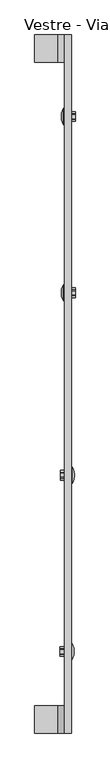
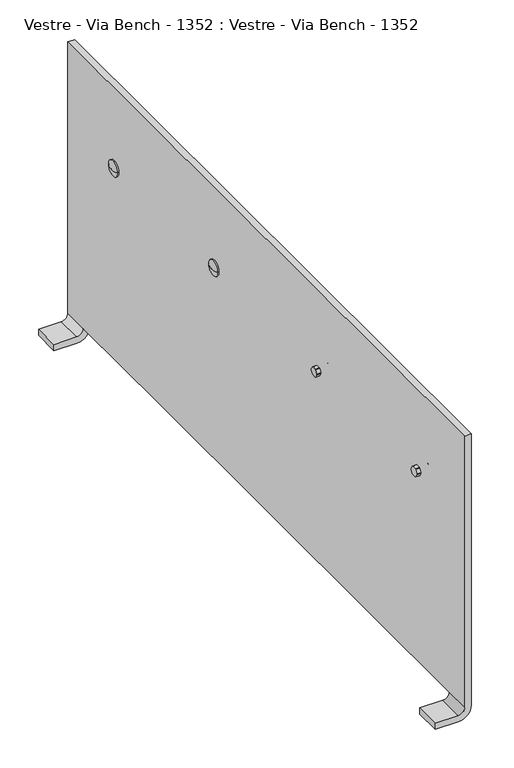
"""IFC4 building model written with IfcOpenShell, lengths in millimetres: furniture geometry, Vestre - Via Bench - 1352 : Vestre - Via Bench - 1352."""

from ifc_helpers import new_model, si_unit, point, frame, origin, place, context, project, spatial, polyline, circle_curve, ellipse_curve, trimmed, faceted_brep, source, transform, mapped, element, save
from ifc_brep_helpers import plane_surface, cylinder_surface, revolved_surface, advanced_brep


def vestre_via_bench_1352_vestre_via_bench_1352_f56d1afa(model_context):
    return source(origin(), model_context, "Body", "SolidModel", [
        advanced_brep(
        [(-4.9200053, 382.7670043, 322.7003634), (-4.9200053, 406.7061826, 322.7003634), (-6.5892829, 382.7670043, 322.7003634), (-6.5892829, 406.7061826, 322.7003634), (-9.5448185, 396.4525837, 322.7003634), (-9.5448185, 393.0206032, 322.7003634)],
        [
            (0, 1, circle_curve(frame((-4.9200053, 394.7365935, 322.7003634), z_axis=(1.0, 0.0, 0.0), x_axis=(0.0, -1.0, 0.0)), 11.9695892)),
            (1, 0, circle_curve(frame((-4.9200053, 394.7365935, 322.7003634), z_axis=(1.0, 0.0, 0.0), x_axis=(0.0, 1.0, 0.0)), 11.9695892)),
            (0, 2),
            (2, 3, circle_curve(frame((-6.5892829, 394.7365935, 322.7003634), z_axis=(1.0, 0.0, 0.0), x_axis=(0.0, -1.0, 0.0)), 11.9695892)),
            (3, 1),
            (3, 2, circle_curve(frame((-6.5892829, 394.7365935, 322.7003634), z_axis=(1.0, 0.0, 0.0), x_axis=(0.0, 1.0, 0.0)), 11.9695892)),
            (3, 4, circle_curve(frame((9.7192835, 396.4525837, 322.7003634), z_axis=(0.0, 0.0, 1.0), x_axis=(1.0, 0.0, 0.0)), 19.2641021)),
            (4, 5, circle_curve(frame((-9.5448185, 394.7365935, 322.7003634), z_axis=(1.0, 0.0, 0.0), x_axis=(0.0, 1.0, 0.0)), 1.7159903)),
            (5, 2, circle_curve(frame((9.7192835, 393.0206032, 322.7003634), z_axis=(0.0, 0.0, 1.0), x_axis=(1.0, 0.0, 0.0)), 19.2641021)),
            (5, 4, circle_curve(frame((-9.5448185, 394.7365935, 322.7003634), z_axis=(1.0, 0.0, 0.0), x_axis=(0.0, -1.0, 0.0)), 1.7159903)),
        ],
        [
            plane_surface(frame((-4.9200053, 382.7670043, 322.7003634), z_axis=(1.0, 0.0, 0.0), x_axis=(0.0, 0.0, -1.0))),
            cylinder_surface(frame((-6.5892829, 394.7365935, 322.7003634), z_axis=(1.0, 0.0, 0.0), x_axis=(0.0, -1.0, 0.0)), 11.9695892),
            cylinder_surface(frame((-6.5892829, 394.7365935, 322.7003634), z_axis=(1.0, 0.0, 0.0), x_axis=(0.0, 1.0, 0.0)), 11.9695892),
            revolved_surface(trimmed(ellipse_curve(frame((9.7192835, 396.4525837, 322.7003634), z_axis=(0.0, 0.0, -1.0), x_axis=(1.0, 0.0, 0.0)), 19.2641021, 19.2641021), [point((-9.5448185, 396.4525837, 322.7003634))], [point((-6.5892829, 406.7061826, 322.7003634))], True, "CARTESIAN"), (1009.9199947, 394.7365935, 322.7003634), (1.0, 0.0, 0.0)),
            revolved_surface(trimmed(ellipse_curve(frame((9.7192835, 393.0206032, 322.7003634), z_axis=(0.0, 0.0, 1.0), x_axis=(1.0, 0.0, 0.0)), 19.2641021, 19.2641021), [point((-9.5448185, 393.0206032, 322.7003634))], [point((-6.5892829, 382.7670043, 322.7003634))], True, "CARTESIAN"), (1009.9199947, 394.7365935, 322.7003634), (1.0, 0.0, 0.0)),
            plane_surface(frame((-9.5448185, 396.4525837, 322.7003634), z_axis=(-1.0, 0.0, 0.0), x_axis=(0.0, 0.0, -1.0))),
        ],
        [
            (0, [[1, 2]]),
            (1, [[-1, 3, 4, 5]]),
            (2, [[-2, -5, 6, -3]]),
            (3, [[7, 8, 9, -6]]),
            (4, [[-7, -4, -9, 10]]),
            (5, [[-8, -10]]),
        ],
    ),
        faceted_brep([(10.8678832, 398.8290332, 328.6120499), (10.8678832, 397.8100443, 329.2003634), (10.8678832, 391.6631426, 329.2003634), (10.8678832, 390.6441538, 328.6120499), (10.8678832, 387.5707029, 323.2886769), (10.8678832, 387.5707029, 322.1120499), (10.8678832, 390.6441538, 316.7886769), (10.8678832, 391.6631426, 316.2003634), (10.8678832, 397.8100443, 316.2003634), (10.8678832, 398.8290332, 316.7886769), (10.8678832, 401.902484, 322.1120499), (10.8678832, 401.902484, 323.2886769), (4.9200053, 398.8290332, 328.6120499), (4.9200053, 401.902484, 323.2886769), (4.9200053, 401.902484, 322.1120499), (4.9200053, 398.8290332, 316.7886769), (4.9200053, 397.8100443, 316.2003634), (4.9200053, 391.6631426, 316.2003634), (4.9200053, 390.6441538, 316.7886769), (4.9200053, 387.5707029, 322.1120499), (4.9200053, 387.5707029, 323.2886769), (4.9200053, 390.6441538, 328.6120499), (4.9200053, 391.6631426, 329.2003634), (4.9200053, 397.8100443, 329.2003634)], [[[0, 1, 2, 3, 4, 5, 6, 7, 8, 9, 10, 11]], [[12, 13, 14, 15, 16, 17, 18, 19, 20, 21, 22, 23]], [[1, 0, 12, 23]], [[2, 1, 23, 22]], [[3, 2, 22, 21]], [[4, 3, 21, 20]], [[5, 4, 20, 19]], [[6, 5, 19, 18]], [[7, 6, 18, 17]], [[8, 7, 17, 16]], [[9, 8, 16, 15]], [[10, 9, 15, 14]], [[11, 10, 14, 13]], [[0, 11, 13, 12]]]),
        advanced_brep(
        [(-4.9200053, 122.7670043, 322.7003634), (-4.9200053, 146.7061826, 322.7003634), (-6.5892829, 122.7670043, 322.7003634), (-6.5892829, 146.7061826, 322.7003634), (-9.5448185, 136.4525837, 322.7003634), (-9.5448185, 133.0206032, 322.7003634)],
        [
            (0, 1, circle_curve(frame((-4.9200053, 134.7365935, 322.7003634), z_axis=(1.0, 0.0, 0.0), x_axis=(0.0, -1.0, 0.0)), 11.9695892)),
            (1, 0, circle_curve(frame((-4.9200053, 134.7365935, 322.7003634), z_axis=(1.0, 0.0, 0.0), x_axis=(0.0, 1.0, 0.0)), 11.9695892)),
            (0, 2),
            (2, 3, circle_curve(frame((-6.5892829, 134.7365935, 322.7003634), z_axis=(1.0, 0.0, 0.0), x_axis=(0.0, -1.0, 0.0)), 11.9695892)),
            (3, 1),
            (3, 2, circle_curve(frame((-6.5892829, 134.7365935, 322.7003634), z_axis=(1.0, 0.0, 0.0), x_axis=(0.0, 1.0, 0.0)), 11.9695892)),
            (3, 4, circle_curve(frame((9.7192835, 136.4525837, 322.7003634), z_axis=(0.0, 0.0, 1.0), x_axis=(1.0, 0.0, 0.0)), 19.2641021)),
            (4, 5, circle_curve(frame((-9.5448185, 134.7365935, 322.7003634), z_axis=(1.0, 0.0, 0.0), x_axis=(0.0, 1.0, 0.0)), 1.7159903)),
            (5, 2, circle_curve(frame((9.7192835, 133.0206032, 322.7003634), z_axis=(0.0, 0.0, 1.0), x_axis=(1.0, 0.0, 0.0)), 19.2641021)),
            (5, 4, circle_curve(frame((-9.5448185, 134.7365935, 322.7003634), z_axis=(1.0, 0.0, 0.0), x_axis=(0.0, -1.0, 0.0)), 1.7159903)),
        ],
        [
            plane_surface(frame((-4.9200053, 122.7670043, 322.7003634), z_axis=(1.0, 0.0, 0.0), x_axis=(0.0, 0.0, -1.0))),
            cylinder_surface(frame((-6.5892829, 134.7365935, 322.7003634), z_axis=(1.0, 0.0, 0.0), x_axis=(0.0, -1.0, 0.0)), 11.9695892),
            cylinder_surface(frame((-6.5892829, 134.7365935, 322.7003634), z_axis=(1.0, 0.0, 0.0), x_axis=(0.0, 1.0, 0.0)), 11.9695892),
            revolved_surface(trimmed(ellipse_curve(frame((9.7192835, 136.4525837, 322.7003634), z_axis=(0.0, 0.0, -1.0), x_axis=(1.0, 0.0, 0.0)), 19.2641021, 19.2641021), [point((-9.5448185, 136.4525837, 322.7003634))], [point((-6.5892829, 146.7061826, 322.7003634))], True, "CARTESIAN"), (1009.9199947, 134.7365935, 322.7003634), (1.0, 0.0, 0.0)),
            revolved_surface(trimmed(ellipse_curve(frame((9.7192835, 133.0206032, 322.7003634), z_axis=(0.0, 0.0, 1.0), x_axis=(1.0, 0.0, 0.0)), 19.2641021, 19.2641021), [point((-9.5448185, 133.0206032, 322.7003634))], [point((-6.5892829, 122.7670043, 322.7003634))], True, "CARTESIAN"), (1009.9199947, 134.7365935, 322.7003634), (1.0, 0.0, 0.0)),
            plane_surface(frame((-9.5448185, 136.4525837, 322.7003634), z_axis=(-1.0, 0.0, 0.0), x_axis=(0.0, 0.0, -1.0))),
        ],
        [
            (0, [[1, 2]]),
            (1, [[-1, 3, 4, 5]]),
            (2, [[-2, -5, 6, -3]]),
            (3, [[7, 8, 9, -6]]),
            (4, [[-7, -4, -9, 10]]),
            (5, [[-8, -10]]),
        ],
    ),
        faceted_brep([(10.8678832, 138.8290332, 328.6120499), (10.8678832, 137.8100443, 329.2003634), (10.8678832, 131.6631426, 329.2003634), (10.8678832, 130.6441538, 328.6120499), (10.8678832, 127.5707029, 323.2886769), (10.8678832, 127.5707029, 322.1120499), (10.8678832, 130.6441538, 316.7886769), (10.8678832, 131.6631426, 316.2003634), (10.8678832, 137.8100443, 316.2003634), (10.8678832, 138.8290332, 316.7886769), (10.8678832, 141.902484, 322.1120499), (10.8678832, 141.902484, 323.2886769), (4.9200053, 138.8290332, 328.6120499), (4.9200053, 141.902484, 323.2886769), (4.9200053, 141.902484, 322.1120499), (4.9200053, 138.8290332, 316.7886769), (4.9200053, 137.8100443, 316.2003634), (4.9200053, 131.6631426, 316.2003634), (4.9200053, 130.6441538, 316.7886769), (4.9200053, 127.5707029, 322.1120499), (4.9200053, 127.5707029, 323.2886769), (4.9200053, 130.6441538, 328.6120499), (4.9200053, 131.6631426, 329.2003634), (4.9200053, 137.8100443, 329.2003634)], [[[0, 1, 2, 3, 4, 5, 6, 7, 8, 9, 10, 11]], [[12, 13, 14, 15, 16, 17, 18, 19, 20, 21, 22, 23]], [[1, 0, 12, 23]], [[2, 1, 23, 22]], [[3, 2, 22, 21]], [[4, 3, 21, 20]], [[5, 4, 20, 19]], [[6, 5, 19, 18]], [[7, 6, 18, 17]], [[8, 7, 17, 16]], [[9, 8, 16, 15]], [[10, 9, 15, 14]], [[11, 10, 14, 13]], [[0, 11, 13, 12]]]),
        advanced_brep(
        [(9.5448185, -132.9840097, 322.7003634), (9.5448185, -136.4159903, 322.7003634), (6.5892829, -146.6695892, 322.7003634), (6.5892829, -122.7304108, 322.7003634), (4.9200053, -122.7304108, 322.7003634), (4.9200053, -146.6695892, 322.7003634)],
        [
            (0, 1, circle_curve(frame((9.5448185, -134.7, 322.7003634), z_axis=(1.0, 0.0, 0.0), x_axis=(0.0, -1.0, 0.0)), 1.7159903)),
            (1, 0, circle_curve(frame((9.5448185, -134.7, 322.7003634), z_axis=(1.0, 0.0, 0.0), x_axis=(0.0, 1.0, 0.0)), 1.7159903)),
            (2, 1, circle_curve(frame((-9.7192835, -136.4159903, 322.7003634), z_axis=(0.0, 0.0, 1.0), x_axis=(-1.0, 0.0, 0.0)), 19.2641021)),
            (0, 3, circle_curve(frame((-9.7192835, -132.9840097, 322.7003634), z_axis=(0.0, 0.0, 1.0), x_axis=(-1.0, 0.0, 0.0)), 19.2641021)),
            (3, 2, circle_curve(frame((6.5892829, -134.7, 322.7003634), z_axis=(1.0, 0.0, 0.0), x_axis=(0.0, -1.0, 0.0)), 11.9695892)),
            (2, 3, circle_curve(frame((6.5892829, -134.7, 322.7003634), z_axis=(1.0, 0.0, 0.0), x_axis=(0.0, 1.0, 0.0)), 11.9695892)),
            (4, 5, circle_curve(frame((4.9200053, -134.7, 322.7003634), z_axis=(-1.0, 0.0, 0.0), x_axis=(0.0, 1.0, 0.0)), 11.9695892)),
            (5, 4, circle_curve(frame((4.9200053, -134.7, 322.7003634), z_axis=(-1.0, 0.0, 0.0), x_axis=(0.0, -1.0, 0.0)), 11.9695892)),
            (4, 3),
            (2, 5),
        ],
        [
            plane_surface(frame((9.5448185, -136.4159903, 322.7003634), z_axis=(1.0, 0.0, 0.0), x_axis=(0.0, 0.0, -1.0))),
            revolved_surface(trimmed(ellipse_curve(frame((-9.7192835, -136.4159903, 322.7003634), z_axis=(0.0, 0.0, -1.0), x_axis=(-1.0, 0.0, 0.0)), 19.2641021, 19.2641021), [point((9.5448185, -136.4159903, 322.7003634))], [point((6.5892829, -146.6695892, 322.7003634))], True, "CARTESIAN"), (-1009.9199947, -134.7, 322.7003634), (-1.0, 0.0, 0.0)),
            revolved_surface(trimmed(ellipse_curve(frame((-9.7192835, -132.9840097, 322.7003634), z_axis=(0.0, 0.0, 1.0), x_axis=(-1.0, 0.0, 0.0)), 19.2641021, 19.2641021), [point((9.5448185, -132.9840097, 322.7003634))], [point((6.5892829, -122.7304108, 322.7003634))], True, "CARTESIAN"), (-1009.9199947, -134.7, 322.7003634), (-1.0, 0.0, 0.0)),
            plane_surface(frame((4.9200053, -122.7304108, 322.7003634), z_axis=(-1.0, 0.0, 0.0), x_axis=(0.0, 0.0, -1.0))),
            cylinder_surface(frame((6.5892829, -134.7, 322.7003634), z_axis=(-1.0, 0.0, 0.0), x_axis=(0.0, 1.0, 0.0)), 11.9695892),
            cylinder_surface(frame((6.5892829, -134.7, 322.7003634), z_axis=(-1.0, 0.0, 0.0), x_axis=(0.0, -1.0, 0.0)), 11.9695892),
        ],
        [
            (0, [[1, 2]]),
            (1, [[3, -1, 4, 5]]),
            (2, [[-3, 6, -4, -2]]),
            (3, [[7, 8]]),
            (4, [[-7, 9, -6, 10]]),
            (5, [[-8, -10, -5, -9]]),
        ],
    ),
        faceted_brep([(-10.8678832, -138.7924397, 328.6120499), (-10.8678832, -137.7734508, 329.2003634), (-10.8678832, -131.6265492, 329.2003634), (-10.8678832, -130.6075603, 328.6120499), (-10.8678832, -127.5341095, 323.2886769), (-10.8678832, -127.5341095, 322.1120499), (-10.8678832, -130.6075603, 316.7886769), (-10.8678832, -131.6265492, 316.2003634), (-10.8678832, -137.7734508, 316.2003634), (-10.8678832, -138.7924397, 316.7886769), (-10.8678832, -141.8658905, 322.1120499), (-10.8678832, -141.8658905, 323.2886769), (-4.9200053, -138.7924397, 328.6120499), (-4.9200053, -141.8658905, 323.2886769), (-4.9200053, -141.8658905, 322.1120499), (-4.9200053, -138.7924397, 316.7886769), (-4.9200053, -137.7734508, 316.2003634), (-4.9200053, -131.6265492, 316.2003634), (-4.9200053, -130.6075603, 316.7886769), (-4.9200053, -127.5341095, 322.1120499), (-4.9200053, -127.5341095, 323.2886769), (-4.9200053, -130.6075603, 328.6120499), (-4.9200053, -131.6265492, 329.2003634), (-4.9200053, -137.7734508, 329.2003634)], [[[0, 1, 2, 3, 4, 5, 6, 7, 8, 9, 10, 11]], [[12, 13, 14, 15, 16, 17, 18, 19, 20, 21, 22, 23]], [[1, 0, 12, 23]], [[2, 1, 23, 22]], [[3, 2, 22, 21]], [[4, 3, 21, 20]], [[5, 4, 20, 19]], [[6, 5, 19, 18]], [[7, 6, 18, 17]], [[8, 7, 17, 16]], [[9, 8, 16, 15]], [[10, 9, 15, 14]], [[11, 10, 14, 13]], [[0, 11, 13, 12]]]),
        advanced_brep(
        [(8.9544079, -392.9535989, 322.7003634), (5.9988722, -382.7, 322.7003634), (5.9988722, -406.6391783, 322.7003634), (8.9544079, -396.3855795, 322.7003634), (4.3295947, -406.6391783, 322.7003634), (4.3295947, -382.7, 322.7003634)],
        [
            (0, 1, circle_curve(frame((-10.3096942, -392.9535989, 322.7003634), z_axis=(0.0, 0.0, 1.0), x_axis=(-1.0, 0.0, 0.0)), 19.2641021)),
            (1, 2, circle_curve(frame((5.9988722, -394.6695892, 322.7003634), z_axis=(1.0, 0.0, 0.0), x_axis=(0.0, 1.0, 0.0)), 11.9695892)),
            (2, 3, circle_curve(frame((-10.3096942, -396.3855795, 322.7003634), z_axis=(0.0, 0.0, 1.0), x_axis=(-1.0, 0.0, 0.0)), 19.2641021)),
            (3, 0, circle_curve(frame((8.9544079, -394.6695892, 322.7003634), z_axis=(-1.0, 0.0, 0.0), x_axis=(0.0, 1.0, 0.0)), 1.7159903)),
            (0, 3, circle_curve(frame((8.9544079, -394.6695892, 322.7003634), z_axis=(-1.0, 0.0, 0.0), x_axis=(0.0, -1.0, 0.0)), 1.7159903)),
            (2, 1, circle_curve(frame((5.9988722, -394.6695892, 322.7003634), z_axis=(1.0, 0.0, 0.0), x_axis=(0.0, -1.0, 0.0)), 11.9695892)),
            (4, 5, circle_curve(frame((4.3295947, -394.6695892, 322.7003634), z_axis=(-1.0, 0.0, 0.0), x_axis=(0.0, 1.0, 0.0)), 11.9695892)),
            (5, 4, circle_curve(frame((4.3295947, -394.6695892, 322.7003634), z_axis=(-1.0, 0.0, 0.0), x_axis=(0.0, -1.0, 0.0)), 11.9695892)),
            (5, 1),
            (2, 4),
        ],
        [
            revolved_surface(trimmed(ellipse_curve(frame((-10.3096942, -392.9535989, 322.7003634), z_axis=(0.0, 0.0, -1.0), x_axis=(-1.0, 0.0, 0.0)), 19.2641021, 19.2641021), [point((5.9988722, -382.7, 322.7003634))], [point((8.9544079, -392.9535989, 322.7003634))], True, "CARTESIAN"), (-1010.5104053, -394.6695892, 322.7003634), (1.0, 0.0, 0.0)),
            revolved_surface(trimmed(ellipse_curve(frame((-10.3096942, -396.3855795, 322.7003634), z_axis=(0.0, 0.0, 1.0), x_axis=(-1.0, 0.0, 0.0)), 19.2641021, 19.2641021), [point((5.9988722, -406.6391783, 322.7003634))], [point((8.9544079, -396.3855795, 322.7003634))], True, "CARTESIAN"), (-1010.5104053, -394.6695892, 322.7003634), (1.0, 0.0, 0.0)),
            plane_surface(frame((4.3295947, -382.7, 322.7003634), z_axis=(-1.0, 0.0, 0.0), x_axis=(0.0, 0.0, -1.0))),
            cylinder_surface(frame((5.9988722, -394.6695892, 322.7003634), z_axis=(-1.0, 0.0, 0.0), x_axis=(0.0, -1.0, 0.0)), 11.9695892),
            cylinder_surface(frame((5.9988722, -394.6695892, 322.7003634), z_axis=(-1.0, 0.0, 0.0), x_axis=(0.0, 1.0, 0.0)), 11.9695892),
            plane_surface(frame((8.9544079, -396.3855795, 322.7003634), z_axis=(1.0, 0.0, 0.0), x_axis=(0.0, 0.0, -1.0))),
        ],
        [
            (0, [[1, 2, 3, 4]]),
            (1, [[-1, 5, -3, 6]]),
            (2, [[7, 8]]),
            (3, [[-8, 9, -6, 10]]),
            (4, [[-7, -10, -2, -9]]),
            (5, [[-4, -5]]),
        ],
    ),
        faceted_brep([(-11.4582939, -390.5771495, 328.6120499), (-11.4582939, -387.5036986, 323.2886769), (-11.4582939, -387.5036986, 322.1120499), (-11.4582939, -390.5771495, 316.7886769), (-11.4582939, -391.5961383, 316.2003634), (-11.4582939, -397.74304, 316.2003634), (-11.4582939, -398.7620289, 316.7886769), (-11.4582939, -401.8354797, 322.1120499), (-11.4582939, -401.8354797, 323.2886769), (-11.4582939, -398.7620289, 328.6120499), (-11.4582939, -397.74304, 329.2003634), (-11.4582939, -391.5961383, 329.2003634), (-5.510416, -390.5771495, 328.6120499), (-5.510416, -391.5961383, 329.2003634), (-5.510416, -397.74304, 329.2003634), (-5.510416, -398.7620289, 328.6120499), (-5.510416, -401.8354797, 323.2886769), (-5.510416, -401.8354797, 322.1120499), (-5.510416, -398.7620289, 316.7886769), (-5.510416, -397.74304, 316.2003634), (-5.510416, -391.5961383, 316.2003634), (-5.510416, -390.5771495, 316.7886769), (-5.510416, -387.5036986, 322.1120499), (-5.510416, -387.5036986, 323.2886769)], [[[0, 1, 2, 3, 4, 5, 6, 7, 8, 9, 10, 11]], [[12, 13, 14, 15, 16, 17, 18, 19, 20, 21, 22, 23]], [[0, 11, 13, 12]], [[11, 10, 14, 13]], [[10, 9, 15, 14]], [[9, 8, 16, 15]], [[8, 7, 17, 16]], [[7, 6, 18, 17]], [[6, 5, 19, 18]], [[5, 4, 20, 19]], [[4, 3, 21, 20]], [[3, 2, 22, 21]], [[2, 1, 23, 22]], [[1, 0, 12, 23]]]),
        advanced_brep(
        [(-49.1135223, -515.0, 9.84), (-49.1135223, -515.0, 0.0), (-14.7599947, -515.0, 0.0), (4.9200053, -515.0, 19.68), (4.9200053, -515.0, 449.5512222), (-4.9200053, -515.0, 449.5512222), (-4.9200053, -515.0, 19.68), (-14.7600053, -515.0, 9.84), (-49.1135223, -475.0, 9.84), (-14.7600053, -475.0, 9.84), (-4.9200053, -475.0, 19.68), (4.9200053, -475.0, 19.68), (-14.7599947, -475.0, 0.0), (-49.1135223, -475.0, 0.0), (-4.9200053, 515.0, 449.5512222), (-4.9200053, 515.0, 19.68), (-4.9200053, 475.0, 19.68), (-4.9200053, 279.2642937, 19.68), (-4.9200053, -279.2642937, 19.68), (4.9200053, 515.0, 449.5512222), (4.9200053, -279.2642937, 19.68), (4.9200053, 279.2642937, 19.68), (4.9200053, 475.0, 19.68), (4.9200053, 515.0, 19.68), (-14.7599947, 515.0, 0.0), (-49.1135223, 515.0, 0.0), (-49.1135223, 515.0, 9.84), (-14.7600053, 515.0, 9.84), (-49.1135223, 475.0, 9.84), (-49.1135223, 475.0, 0.0), (-14.7599947, 475.0, 0.0), (-14.7600053, 475.0, 9.84)],
        [
            (0, 1),
            (1, 2),
            (2, 3, circle_curve(frame((-14.7599947, -515.0, 19.68), z_axis=(0.0, -1.0, 0.0), x_axis=(1.0, 0.0, 0.0)), 19.68)),
            (3, 4),
            (4, 5),
            (5, 6),
            (6, 7, circle_curve(frame((-14.7600053, -515.0, 19.68), z_axis=(0.0, 1.0, 0.0), x_axis=(1.0, 0.0, 0.0)), 9.84)),
            (7, 0),
            (8, 9),
            (9, 10, circle_curve(frame((-14.7600053, -475.0, 19.68), z_axis=(0.0, -1.0, 0.0), x_axis=(1.0, 0.0, 0.0)), 9.84)),
            (10, 11),
            (11, 12, circle_curve(frame((-14.7599947, -475.0, 19.68), z_axis=(0.0, 1.0, 0.0), x_axis=(1.0, 0.0, 0.0)), 19.68)),
            (12, 13),
            (13, 8),
            (14, 15),
            (15, 16),
            (16, 17),
            (17, 18, circle_curve(frame((-4.9200053, 0.0, -6618.9781896), z_axis=(1.0, 0.0, 0.0), x_axis=(0.0, -0.042029205736406984, 0.999116382542678)), 6644.5294118)),
            (18, 10),
            (10, 6),
            (5, 14),
            (19, 4),
            (3, 11),
            (11, 20),
            (20, 21, circle_curve(frame((4.9200053, 0.0, -6618.9781896), z_axis=(-1.0, 0.0, 0.0), x_axis=(0.0, -0.042029205736406984, 0.999116382542678)), 6644.5294118)),
            (21, 22),
            (22, 23),
            (23, 19),
            (14, 19),
            (23, 24, circle_curve(frame((-14.7599947, 515.0, 19.68), z_axis=(0.0, 1.0, 0.0), x_axis=(1.0, 0.0, 0.0)), 19.68)),
            (24, 25),
            (25, 26),
            (26, 27),
            (27, 15, circle_curve(frame((-14.7600053, 515.0, 19.68), z_axis=(0.0, -1.0, 0.0), x_axis=(1.0, 0.0, 0.0)), 9.84)),
            (21, 17),
            (16, 22),
            (20, 18),
            (0, 8),
            (13, 1),
            (12, 2),
            (9, 7),
            (28, 29),
            (29, 30),
            (30, 22, circle_curve(frame((-14.7599947, 475.0, 19.68), z_axis=(0.0, -1.0, 0.0), x_axis=(1.0, 0.0, 0.0)), 19.68)),
            (16, 31, circle_curve(frame((-14.7600053, 475.0, 19.68), z_axis=(0.0, 1.0, 0.0), x_axis=(1.0, 0.0, 0.0)), 9.84)),
            (31, 28),
            (25, 29),
            (28, 26),
            (24, 30),
            (27, 31),
        ],
        [
            plane_surface(frame((-49.1135223, -515.0, 9.84), z_axis=(0.0, -1.0, 0.0), x_axis=(0.0, 0.0, -1.0))),
            plane_surface(frame((-49.1135223, -475.0, 9.84), z_axis=(0.0, 1.0, 0.0), x_axis=(0.0, 0.0, 1.0))),
            plane_surface(frame((-4.9200053, 515.0, 449.5512222), z_axis=(-1.0, 0.0, 0.0), x_axis=(0.0, 0.0, -1.0))),
            plane_surface(frame((4.9200053, 515.0, 449.5512222), z_axis=(1.0, 0.0, 0.0), x_axis=(0.0, 0.0, 1.0))),
            plane_surface(frame((-4.9200053, 515.0, 449.5512222), z_axis=(0.0, 1.0, 0.0), x_axis=(1.0, 0.0, 0.0))),
            plane_surface(frame((-4.9200053, 515.0, 19.68), z_axis=(0.0, 0.0, -1.0), x_axis=(1.0, 0.0, 0.0))),
            revolved_surface(polyline([(4.9200053, -279.26429367014947, 19.680000016043778), (-4.9200053, -279.26429367014947, 19.680000016043778)]), (4.9200053, 0.0, -6618.9781896), (1.0, 0.0, 0.0)),
            plane_surface(frame((-4.9200053, -279.2642937, 19.68), z_axis=(0.0, 0.0, -1.0), x_axis=(1.0, 0.0, 0.0))),
            plane_surface(frame((-4.9200053, -515.0, 449.5512222), z_axis=(0.0, 0.0, 1.0), x_axis=(1.0, 0.0, 0.0))),
            plane_surface(frame((-49.1135223, -515.0, 9.84), z_axis=(-1.0, 0.0, 0.0), x_axis=(0.0, 1.0, 0.0))),
            plane_surface(frame((-49.1135223, -515.0, 0.0), z_axis=(0.0, 0.0, -1.0), x_axis=(0.0, 1.0, 0.0))),
            cylinder_surface(frame((-14.7599947, -475.0, 19.68), z_axis=(0.0, -1.0, 0.0), x_axis=(1.0, 0.0, 0.0)), 19.68),
            revolved_surface(polyline([(-4.9200053, -475.0, 19.68), (-4.9200053, -515.0, 19.68)]), (-14.7600053, -475.0, 19.68), (0.0, 1.0, 0.0)),
            plane_surface(frame((-14.7600053, -515.0, 9.84), z_axis=(0.0, 0.0, 1.0), x_axis=(0.0, 1.0, 0.0))),
            plane_surface(frame((-14.76, 475.0, 9.84), z_axis=(0.0, -1.0, 0.0), x_axis=(-1.0, 0.0, 0.0))),
            plane_surface(frame((-49.1135223, 515.0, 0.0), z_axis=(-1.0, 0.0, 0.0), x_axis=(0.0, -1.0, 0.0))),
            plane_surface(frame((-14.7599947, 515.0, 0.0), z_axis=(0.0, 0.0, -1.0), x_axis=(0.0, -1.0, 0.0))),
            cylinder_surface(frame((-14.7599947, 475.0, 19.68), z_axis=(0.0, 1.0, 0.0), x_axis=(1.0, 0.0, 0.0)), 19.68),
            revolved_surface(polyline([(-4.9200053, 475.0, 19.68), (-4.9200053, 515.0, 19.68)]), (-14.7600053, 475.0, 19.68), (0.0, -1.0, 0.0)),
            plane_surface(frame((-49.1135223, 515.0, 9.84), z_axis=(0.0, 0.0, 1.0), x_axis=(0.0, -1.0, 0.0))),
        ],
        [
            (0, [[1, 2, 3, 4, 5, 6, 7, 8]]),
            (1, [[9, 10, 11, 12, 13, 14]]),
            (2, [[15, 16, 17, 18, 19, 20, -6, 21]]),
            (3, [[22, -4, 23, 24, 25, 26, 27, 28]]),
            (4, [[-15, 29, -28, 30, 31, 32, 33, 34]]),
            (5, [[35, -17, 36, -26]]),
            (6, [[-18, -35, -25, 37]]),
            (7, [[-37, -24, -11, -19]]),
            (8, [[-21, -5, -22, -29]]),
            (9, [[-1, 38, -14, 39]]),
            (10, [[-2, -39, -13, 40]]),
            (11, [[-3, -40, -12, -23]]),
            (12, [[-7, -20, -10, 41]]),
            (13, [[-8, -41, -9, -38]]),
            (14, [[42, 43, 44, -36, 45, 46]]),
            (15, [[-32, 47, -42, 48]]),
            (16, [[-31, 49, -43, -47]]),
            (17, [[-30, -27, -44, -49]]),
            (18, [[-34, 50, -45, -16]]),
            (19, [[-33, -48, -46, -50]]),
        ],
    ),
    ])


if __name__ == "__main__":
    model = new_model("IFC4")
    model_context = context("Model", 3, world=origin())
    ifc_project = project(units=[si_unit("LENGTHUNIT", "METRE", prefix="MILLI")], contexts=[model_context])
    site = spatial("IfcSite", under=ifc_project)
    building = spatial("IfcBuilding", under=site)
    placement = place(None, origin())
    vestre_via_bench_1352_vestre_via_bench_1352_shape = vestre_via_bench_1352_vestre_via_bench_1352_f56d1afa(model_context)
    element("IfcFurniture", 1, ObjectType="Vestre - Via Bench - 1352 : Vestre - Via Bench - 1352", at=placement, inside=building, context=model_context, shape_type="MappedRepresentation", body=[
        mapped(vestre_via_bench_1352_vestre_via_bench_1352_shape, transform((0.0, 0.0, 0.0), x_axis=(1.0, 0.0, 0.0), y_axis=(0.0, 1.0, 0.0), z_axis=(0.0, 0.0, 1.0))),
    ])
    save(model, "model.ifc")
